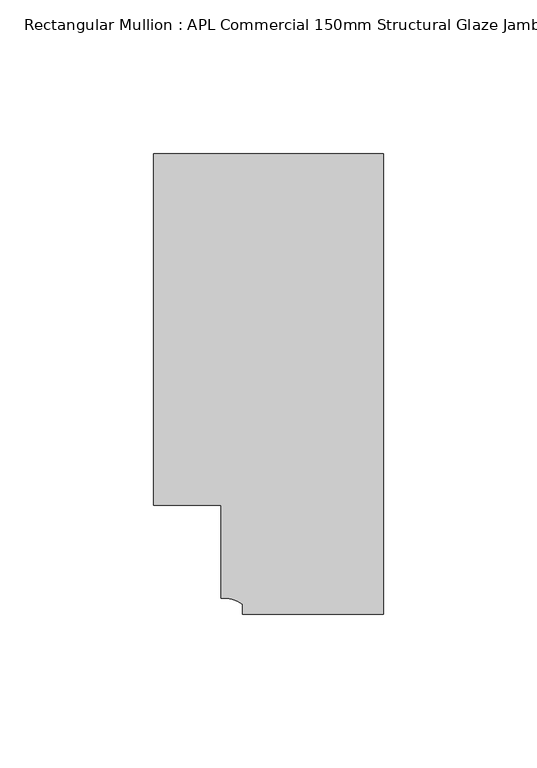
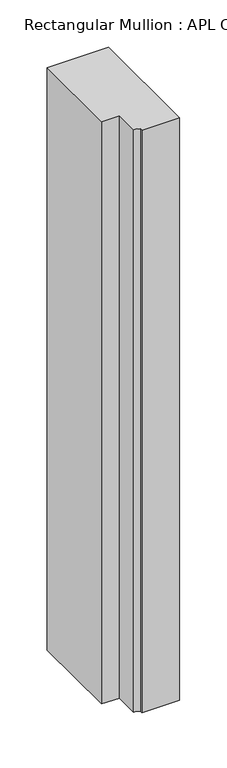
"""IFC4 building model written with IfcOpenShell, lengths in millimetres: member geometry, Rectangular Mullion : APL Commercial 150mm Structural Glaze Jamb Frame (left)."""

from ifc_helpers import new_model, si_unit, point, frame, frame_2d, origin, place, context, project, spatial, polyline, circle_curve, trimmed, segment, composite_curve, outline, extrude, source, transform, mapped, element, save


def rectangular_mullion_apl_commercial_150mm_structural_glaze_9e915f11(model_context):
    return source(origin(), model_context, "Body", "SweptSolid", [
        extrude(outline(composite_curve([segment(polyline([(0.0, -20.5), (-45.9999842, -20.5), (-45.9999842, -17.3125325)]), True, "CONTINUOUS"), segment(trimmed(circle_curve(frame_2d((-52.1098019, -25.7981812)), 10.4563907), [point((-45.9999842, -17.3125325))], [point((-52.9999391, -15.3797475))], True, "CARTESIAN"), True, "CONTINUOUS"), segment(polyline([(-52.9999391, -15.3797475), (-52.9999391, 15.0000829), (-75.0, 15.0000829), (-75.0, 129.4999988), (0.0, 129.4999988), (0.0, -20.5)]), True, "CONTINUOUS")], self_intersect=False)), frame((0.0, 0.0, -751.2021929), z_axis=(0.0, 0.0, 1.0), x_axis=(1.0, 0.0, 0.0)), (0.0, 0.0, 1.0), 751.2021929),
    ])


if __name__ == "__main__":
    model = new_model("IFC4")
    model_context = context("Model", 3, world=origin())
    ifc_project = project(units=[si_unit("LENGTHUNIT", "METRE", prefix="MILLI")], contexts=[model_context])
    site = spatial("IfcSite", under=ifc_project)
    building = spatial("IfcBuilding", under=site)
    placement = place(None, origin())
    rectangular_mullion_apl_commercial_150mm_structural_glaze_shape = rectangular_mullion_apl_commercial_150mm_structural_glaze_9e915f11(model_context)
    element("IfcMember", 1, ObjectType="Rectangular Mullion : APL Commercial 150mm Structural Glaze Jamb Frame (left)", at=placement, inside=building, context=model_context, shape_type="MappedRepresentation", body=[
        mapped(rectangular_mullion_apl_commercial_150mm_structural_glaze_shape, transform((0.0, 0.0, 0.0), x_axis=(1.0, 0.0, 0.0), y_axis=(0.0, 1.0, 0.0), z_axis=(0.0, 0.0, 1.0))),
    ])
    save(model, "model.ifc")
